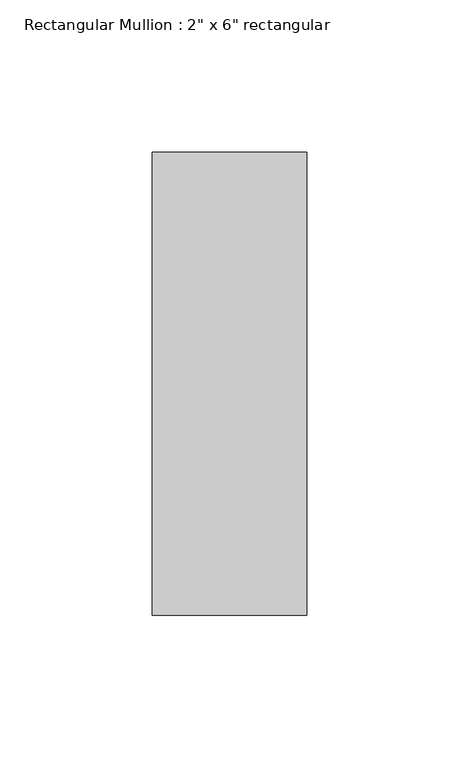
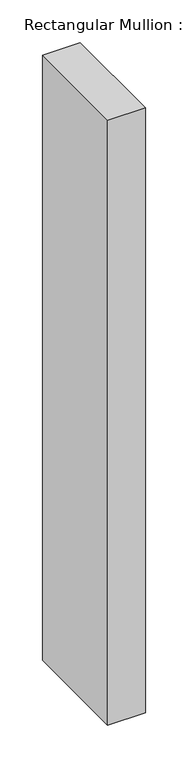
"""IFC4 building model written with IfcOpenShell, lengths in millimetres: member geometry."""

from ifc_helpers import new_model, si_unit, frame, origin, place, context, project, spatial, polyline, outline, extrude, source, transform, mapped, element, save


def member_763fedf7(model_context):
    return source(origin(), model_context, "Body", "SweptSolid", [
        extrude(outline(polyline([(0.0, 76.2), (0.0, -76.2), (-50.8, -76.2), (-50.8, 76.2), (0.0, 76.2)])), frame((0.0, 0.0, -863.6), z_axis=(0.0, 0.0, 1.0), x_axis=(1.0, 0.0, 0.0)), (0.0, 0.0, 1.0), 863.6),
    ])


if __name__ == "__main__":
    model = new_model("IFC4")
    model_context = context("Model", 3, world=origin())
    ifc_project = project(units=[si_unit("LENGTHUNIT", "METRE", prefix="MILLI")], contexts=[model_context])
    site = spatial("IfcSite", under=ifc_project)
    building = spatial("IfcBuilding", under=site)
    placement = place(None, origin())
    member_shape = member_763fedf7(model_context)
    element("IfcMember", 1, ObjectType="Rectangular Mullion : 2\" x 6\" rectangular", at=placement, inside=building, context=model_context, shape_type="MappedRepresentation", body=[
        mapped(member_shape, transform((0.0, 0.0, 0.0), x_axis=(1.0, 0.0, 0.0), y_axis=(0.0, 1.0, 0.0), z_axis=(0.0, 0.0, 1.0))),
    ])
    save(model, "model.ifc")
